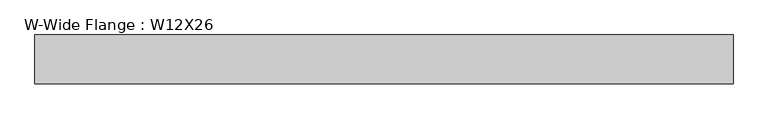
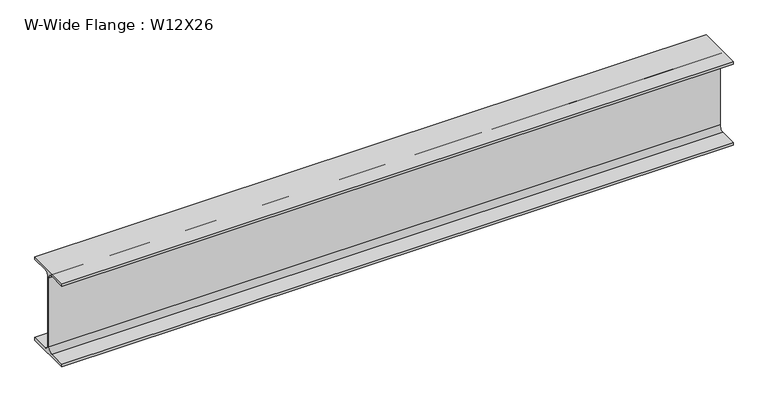
"""IFC4 building model written with IfcOpenShell, lengths in millimetres: beam geometry, W-Wide Flange : W12X26."""

from ifc_helpers import new_model, si_unit, point, frame, frame_2d, origin, place, context, project, spatial, polyline, circle_curve, trimmed, segment, composite_curve, outline, extrude, source, transform, mapped, element, save


def w_wide_flange_w12x26_a6db23b7(model_context):
    return source(origin(), model_context, "Body", "SweptSolid", [
        extrude(outline(composite_curve([segment(polyline([(82.4011719, -145.5539063), (82.4011719, -155.178125), (-82.4011719, -155.178125), (-82.4011719, -145.5539063), (-20.2902344, -145.5539063)]), True, "CONTINUOUS"), segment(trimmed(circle_curve(frame_2d((-20.2902344, -128.190625)), 17.3632812), [point((-20.2902344, -145.5539063))], [point((-2.9269531, -128.190625))], True, "CARTESIAN"), True, "CONTINUOUS"), segment(polyline([(-2.9269531, -128.190625), (-2.9269531, 128.190625)]), True, "CONTINUOUS"), segment(trimmed(circle_curve(frame_2d((-20.2902344, 128.190625)), 17.3632812), [point((-2.9269531, 128.190625))], [point((-20.2902344, 145.5539062))], True, "CARTESIAN"), True, "CONTINUOUS"), segment(polyline([(-20.2902344, 145.5539062), (-82.4011719, 145.5539062), (-82.4011719, 155.178125), (82.4011719, 155.178125), (82.4011719, 145.5539062), (20.2902344, 145.5539062)]), True, "CONTINUOUS"), segment(trimmed(circle_curve(frame_2d((20.2902344, 128.190625)), 17.3632812), [point((20.2902344, 145.5539062))], [point((2.9269531, 128.190625))], True, "CARTESIAN"), True, "CONTINUOUS"), segment(polyline([(2.9269531, 128.190625), (2.9269531, -128.190625)]), True, "CONTINUOUS"), segment(trimmed(circle_curve(frame_2d((20.2902344, -128.190625)), 17.3632812), [point((2.9269531, -128.190625))], [point((20.2902344, -145.5539063))], True, "CARTESIAN"), True, "CONTINUOUS"), segment(polyline([(20.2902344, -145.5539063), (82.4011719, -145.5539063)]), True, "CONTINUOUS")], self_intersect=False)), frame((-1183.2580078, 0.0, 0.0), z_axis=(1.0, 0.0, 0.0), x_axis=(0.0, 1.0, 0.0)), (0.0, 0.0, 1.0), 2362.2),
    ])


if __name__ == "__main__":
    model = new_model("IFC4")
    model_context = context("Model", 3, world=origin())
    ifc_project = project(units=[si_unit("LENGTHUNIT", "METRE", prefix="MILLI")], contexts=[model_context])
    site = spatial("IfcSite", under=ifc_project)
    building = spatial("IfcBuilding", under=site)
    placement = place(None, origin())
    w_wide_flange_w12x26_shape = w_wide_flange_w12x26_a6db23b7(model_context)
    element("IfcBeam", 1, ObjectType="W-Wide Flange : W12X26", at=placement, inside=building, context=model_context, shape_type="MappedRepresentation", body=[
        mapped(w_wide_flange_w12x26_shape, transform((0.0, 0.0, 0.0), x_axis=(1.0, 0.0, 0.0), y_axis=(0.0, 1.0, 0.0), z_axis=(0.0, 0.0, 1.0))),
    ])
    save(model, "model.ifc")
